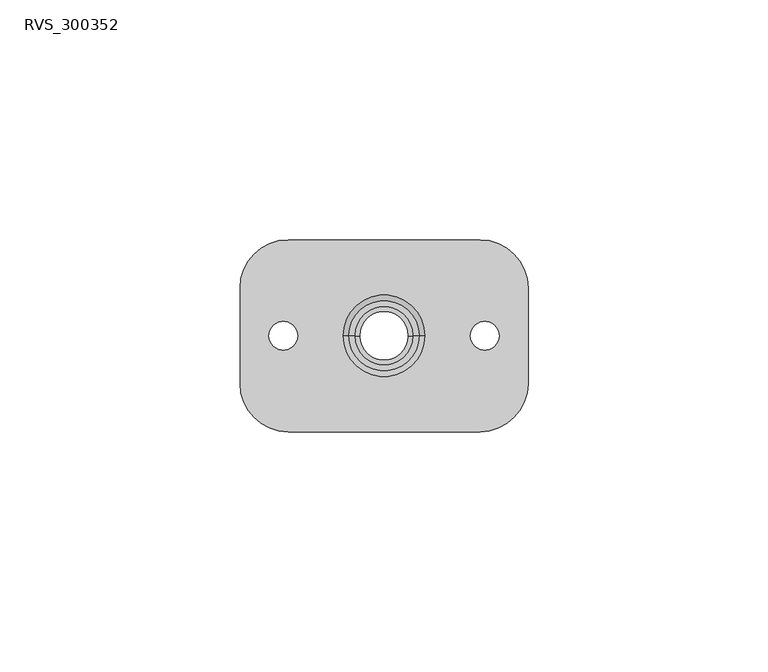
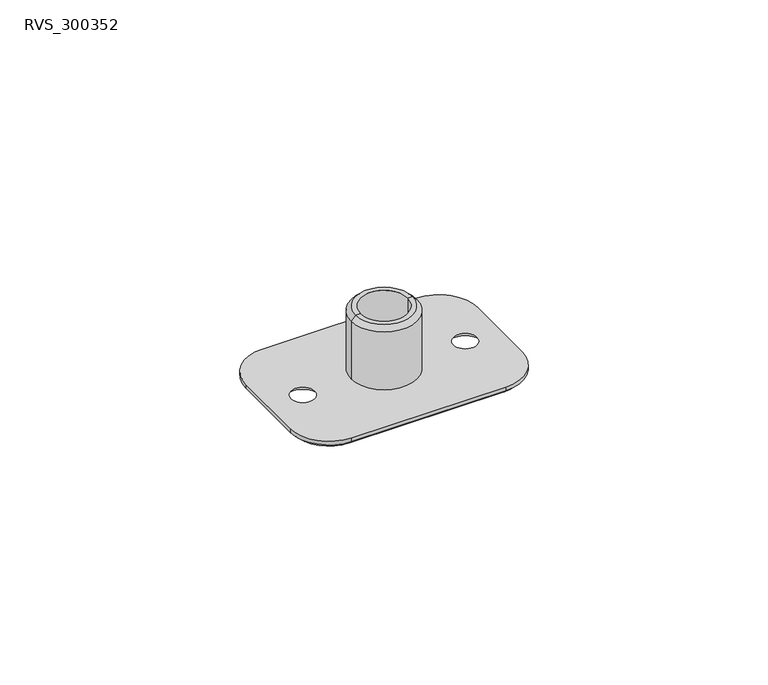
"""IFC4 building model written with IfcOpenShell, lengths in millimetres: proxy geometry, RVS_300352."""

import ifcopenshell
import ifcopenshell.guid

model = None  # the IFC model being written
_history = None  # IfcOwnerHistory: only IFC2X3 demands one
_inside = {}  # id of a spatial element -> (the spatial element, [elements in it])
_under = {}  # id of a project, library or spatial element -> (it, [spatial elements below it])
_declared = {}  # id of a project -> (the project, [libraries it declares])
_typed = {}  # id of a type object -> (the type object, [elements of that type])
_made_of = {}  # id of a material, layer set ... -> (it, [elements and type objects made of it])


def new_model(schema):
    """Start an empty IFC model of exactly this schema.

    Asked for "IFC4X3", IfcOpenShell would pick the latest addendum, in which some entities
    have other attributes; the version numbers below select the first issue.
    IFC2X3 requires an IfcOwnerHistory on every rooted entity: one is made here for all.
    """
    global model, _history
    if schema == "IFC4X3":
        model = ifcopenshell.file(schema_version=(4, 3, 0, 0))
    else:
        model = ifcopenshell.file(schema=schema)
    _inside.clear()
    _under.clear()
    _declared.clear()
    _typed.clear()
    _made_of.clear()
    _history = None
    if model.schema == "IFC2X3":
        org = make("IfcOrganization", Name="unknown")
        user = make(
            "IfcPersonAndOrganization",
            ThePerson=make("IfcPerson", FamilyName="unknown"),
            TheOrganization=org,
        )
        app = make(
            "IfcApplication",
            ApplicationDeveloper=org,
            Version="unknown",
            ApplicationFullName="unknown",
            ApplicationIdentifier="unknown",
        )
        _history = make(
            "IfcOwnerHistory",
            OwningUser=user,
            OwningApplication=app,
            ChangeAction="ADDED",
            CreationDate=0,
        )
    return model


def make(cls, **values):
    """One entity of the class cls with the attributes given. An attribute that is None is left unset."""
    return model.create_entity(
        cls, **{name: value for name, value in values.items() if value is not None}
    )


def rooted(cls, **values):
    """An entity with a GlobalId (a new one), such as an element, a storey or a relation."""
    return make(cls, GlobalId=ifcopenshell.guid.new(), OwnerHistory=_history, **values)


def si_unit(unit_type, name, prefix=None):
    """IfcSIUnit, for example si_unit("LENGTHUNIT", "METRE", prefix="MILLI")."""
    return make("IfcSIUnit", UnitType=unit_type, Prefix=prefix, Name=name)


def assignment(units):
    """IfcUnitAssignment: the units of a project."""
    return None if units is None else make("IfcUnitAssignment", Units=units)


def point(xyz):
    """IfcCartesianPoint."""
    return None if xyz is None else make("IfcCartesianPoint", Coordinates=xyz)


def direction(xyz):
    """IfcDirection."""
    return None if xyz is None else make("IfcDirection", DirectionRatios=xyz)


def frame(location, z_axis=None, x_axis=None):
    """IfcAxis2Placement3D, a coordinate frame: its origin and axes. An axis left out is left unset."""
    return make(
        "IfcAxis2Placement3D",
        Location=point(location),
        Axis=direction(z_axis),
        RefDirection=direction(x_axis),
    )


def origin():
    """The frame at (0, 0, 0) with its axes left unset."""
    return frame((0.0, 0.0, 0.0))


def place(relative_to, where):
    """IfcLocalPlacement: puts the frame where relative to a parent placement (None: the world)."""
    return make(
        "IfcLocalPlacement", PlacementRelTo=relative_to, RelativePlacement=where
    )


def context(
    kind, dimensions, precision=None, world=None, true_north=None, identifier=None
):
    """IfcGeometricRepresentationContext, for example the 3D "Model" context."""
    return make(
        "IfcGeometricRepresentationContext",
        ContextIdentifier=identifier,
        ContextType=kind,
        CoordinateSpaceDimension=dimensions,
        Precision=precision,
        WorldCoordinateSystem=world,
        TrueNorth=true_north,
    )


def project(units=None, contexts=None):
    """IfcProject with its units and contexts."""
    return rooted(
        "IfcProject",
        Name="project",
        RepresentationContexts=contexts,
        UnitsInContext=assignment(units),
    )


def spatial(cls, under=None, at=None, **own):
    """A site, building, storey or space (cls), placed at a placement, below another one or the project."""
    s = rooted(cls, ObjectPlacement=at, **own)
    if under is not None:
        _under.setdefault(under.id(), (under, []))[1].append(s)
    return s


def polyline(points):
    """IfcPolyline through the points."""
    return make("IfcPolyline", Points=[point(p) for p in points])


def circle_curve(where, radius):
    """IfcCircle in the frame where."""
    return make("IfcCircle", Position=where, Radius=radius)


def shape(context_of_items, identifier, shape_type, items):
    """IfcShapeRepresentation: the items that make up one representation, for example the "Body"."""
    return make(
        "IfcShapeRepresentation",
        ContextOfItems=context_of_items,
        RepresentationIdentifier=identifier,
        RepresentationType=shape_type,
        Items=items,
    )


def source(mapping_origin, context_of_items, identifier, shape_type, items):
    """IfcRepresentationMap: a shape defined once, which mapped items show again and again."""
    return make(
        "IfcRepresentationMap",
        MappingOrigin=mapping_origin,
        MappedRepresentation=shape(context_of_items, identifier, shape_type, items),
    )


def transform(
    local_origin,
    x_axis=None,
    y_axis=None,
    z_axis=None,
    scale=None,
    scale2=None,
    scale3=None,
    uniform=True,
):
    """IfcCartesianTransformationOperator3D, or its non-uniform kind. x_axis, y_axis, z_axis: its Axis1, 2, 3."""
    if uniform:
        return make(
            "IfcCartesianTransformationOperator3D",
            Axis1=direction(x_axis),
            Axis2=direction(y_axis),
            LocalOrigin=point(local_origin),
            Scale=scale,
            Axis3=direction(z_axis),
        )
    return make(
        "IfcCartesianTransformationOperator3DnonUniform",
        Axis1=direction(x_axis),
        Axis2=direction(y_axis),
        LocalOrigin=point(local_origin),
        Scale=scale,
        Axis3=direction(z_axis),
        Scale2=scale2,
        Scale3=scale3,
    )


def mapped(mapping_source, mapping_target):
    """IfcMappedItem: shows the shape of a source again, moved by a transform."""
    return make(
        "IfcMappedItem", MappingSource=mapping_source, MappingTarget=mapping_target
    )


def made_of(thing, what):
    """Note that an element or type object is made of a material, layer set ...; save() writes the relation."""
    if what is not None:
        _made_of.setdefault(what.id(), (what, []))[1].append(thing)
    return thing


def element(
    cls,
    number,
    at=None,
    inside=None,
    cuts=None,
    type_object=None,
    material=None,
    context=None,
    identifier="Body",
    shape_type=None,
    held_by="IfcProductDefinitionShape",
    body=None,
    shapes=None,
    **own,
):
    """One element of the class cls, such as IfcWall. Its Tag is "e" and its number.

    at: its placement. inside: the storey or other place that contains it. cuts: it is an
    opening in that element (IfcRelVoidsElement). A single representation is given by context,
    identifier, shape_type and body (its items); several are given by shapes. held_by: the class
    of the entity that holds the representations. save() writes the other relations.
    """
    e = rooted(cls, Tag="e%d" % number, ObjectPlacement=at, **own)
    if body is not None:
        shapes = [shape(context, identifier, shape_type, body)]
    if shapes is not None:
        e.Representation = make(held_by, Representations=shapes)
    if inside is not None:
        _inside.setdefault(inside.id(), (inside, []))[1].append(e)
    if cuts is not None:
        rooted(
            "IfcRelVoidsElement", RelatingBuildingElement=cuts, RelatedOpeningElement=e
        )
    if type_object is not None:
        _typed.setdefault(type_object.id(), (type_object, []))[1].append(e)
    return made_of(e, material)


def aggregate(whole, parts):
    """IfcRelAggregates: a whole, such as a stair, and the parts it consists of."""
    return rooted("IfcRelAggregates", RelatingObject=whole, RelatedObjects=parts)


def save(model, path):
    """Write the relations noted so far, then the file.

    IfcRelAggregates (storeys below a building ...), IfcRelContainedInSpatialStructure (elements
    in a storey), IfcRelDefinesByType, IfcRelAssociatesMaterial and IfcRelDeclares: one each for
    every whole, place, type object, material and project.
    """
    for whole, parts in _under.values():
        aggregate(whole, parts)
    for where, things in _inside.values():
        rooted(
            "IfcRelContainedInSpatialStructure",
            RelatedElements=things,
            RelatingStructure=where,
        )
    for kind, things in _typed.values():
        rooted("IfcRelDefinesByType", RelatedObjects=things, RelatingType=kind)
    for what, things in _made_of.values():
        rooted("IfcRelAssociatesMaterial", RelatedObjects=things, RelatingMaterial=what)
    for by, libraries in _declared.values():
        rooted("IfcRelDeclares", RelatingContext=by, RelatedDefinitions=libraries)
    model.write(path)


def plane_surface(at):
    """IfcPlane: the flat surface through the origin of the frame at, square to its z axis."""
    return make("IfcPlane", Position=at)


def cylinder_surface(at, radius):
    """IfcCylindricalSurface: all points at the distance radius from the z axis of the frame at."""
    return make("IfcCylindricalSurface", Position=at, Radius=radius)


def revolved_surface(curve, axis_point, axis_direction):
    """IfcSurfaceOfRevolution: the curve turned about the line through axis_point along axis_direction."""
    return make(
        "IfcSurfaceOfRevolution",
        SweptCurve=make("IfcArbitraryOpenProfileDef", ProfileType="CURVE", Curve=curve),
        AxisPosition=make("IfcAxis1Placement", Location=point(axis_point), Axis=direction(axis_direction)),
    )


def advanced_brep(points, edges, surfaces, faces):
    """IfcAdvancedBrep: a solid bounded by faces that lie on surfaces and meet in shared edges.

    An edge is (start, end): straight between two places in points (the first is 0);
    or (start, end, curve); or (start, end, curve, False) where it runs against its curve.
    A face is (place in surfaces, loops), or (place, loops, False) where it looks against
    its surface's normal. A loop lists edges by number (the first is 1), with a minus sign
    where the edge is run from its end to its start. The first loop is the outer one.
    """
    corners = [point(p) for p in points]
    vertices = [make("IfcVertexPoint", VertexGeometry=c) for c in corners]
    made = []
    for start, end, *more in edges:
        made.append(
            make(
                "IfcEdgeCurve",
                EdgeStart=vertices[start],
                EdgeEnd=vertices[end],
                EdgeGeometry=more[0] if more else make("IfcPolyline", Points=[corners[start], corners[end]]),
                SameSense=more[1] if len(more) > 1 else True,
            )
        )
    hull = []
    for where, loops, *sense in faces:
        bounds = []
        for j, loop in enumerate(loops):
            ring = [make("IfcOrientedEdge", EdgeElement=made[abs(k) - 1], Orientation=k > 0) for k in loop]
            bounds.append(
                make(
                    "IfcFaceOuterBound" if j == 0 else "IfcFaceBound",
                    Bound=make("IfcEdgeLoop", EdgeList=ring),
                    Orientation=True,
                )
            )
        hull.append(make("IfcAdvancedFace", Bounds=bounds, FaceSurface=surfaces[where], SameSense=sense[0] if sense else True))
    return make("IfcAdvancedBrep", Outer=make("IfcClosedShell", CfsFaces=hull))


def rvs_300352_d1846b56(model_context):
    return source(origin(), model_context, "Body", "AdvancedBrep", [
        advanced_brep(
        [(6.1, 0.0, -2.0), (-6.1, 0.0, -2.0), (-6.1, 0.0, 4.0), (6.1, 0.0, 4.0), (7.1, 0.0, -2.0), (-7.1, 0.0, -2.0), (7.1, 0.0, -3.0), (-7.1, 0.0, -3.0), (5.1, 0.0, -3.0), (-5.1, 0.0, -3.0), (5.1, 0.0, 4.0), (-5.1, 0.0, 4.0)],
        [
            (0, 1, circle_curve(frame((0.0, 0.0, -2.0), z_axis=(0.0, 0.0, 1.0), x_axis=(-1.0, 0.0, 0.0)), 6.1)),
            (1, 2),
            (2, 3, circle_curve(frame((0.0, 0.0, 4.0), z_axis=(0.0, 0.0, -1.0), x_axis=(-1.0, 0.0, 0.0)), 6.1)),
            (3, 0),
            (1, 0, circle_curve(frame((0.0, 0.0, -2.0), z_axis=(0.0, 0.0, 1.0), x_axis=(-1.0, 0.0, 0.0)), 6.1)),
            (3, 2, circle_curve(frame((0.0, 0.0, 4.0), z_axis=(0.0, 0.0, -1.0), x_axis=(-1.0, 0.0, 0.0)), 6.1)),
            (4, 5, circle_curve(frame((0.0, 0.0, -2.0), z_axis=(0.0, 0.0, 1.0), x_axis=(-1.0, 0.0, 0.0)), 7.1)),
            (5, 1),
            (0, 4),
            (5, 4, circle_curve(frame((0.0, 0.0, -2.0), z_axis=(0.0, 0.0, 1.0), x_axis=(-1.0, 0.0, 0.0)), 7.1)),
            (6, 7, circle_curve(frame((0.0, 0.0, -3.0), z_axis=(0.0, 0.0, 1.0), x_axis=(-1.0, 0.0, 0.0)), 7.1)),
            (7, 5),
            (4, 6),
            (7, 6, circle_curve(frame((0.0, 0.0, -3.0), z_axis=(0.0, 0.0, 1.0), x_axis=(-1.0, 0.0, 0.0)), 7.1)),
            (8, 9, circle_curve(frame((0.0, 0.0, -3.0), z_axis=(0.0, 0.0, 1.0), x_axis=(-1.0, 0.0, 0.0)), 5.1)),
            (9, 7),
            (6, 8),
            (9, 8, circle_curve(frame((0.0, 0.0, -3.0), z_axis=(0.0, 0.0, 1.0), x_axis=(-1.0, 0.0, 0.0)), 5.1)),
            (10, 11, circle_curve(frame((0.0, 0.0, 4.0), z_axis=(0.0, 0.0, 1.0), x_axis=(-1.0, 0.0, 0.0)), 5.1)),
            (11, 9),
            (8, 10),
            (11, 10, circle_curve(frame((0.0, 0.0, 4.0), z_axis=(0.0, 0.0, 1.0), x_axis=(-1.0, 0.0, 0.0)), 5.1)),
            (2, 11),
            (10, 3),
        ],
        [
            cylinder_surface(frame((0.0, 0.0, 4.5433419), z_axis=(0.0, 0.0, -1.0), x_axis=(-1.0, 0.0, 0.0)), 6.1),
            plane_surface(frame((0.0, 0.0, -2.0), z_axis=(0.0, 0.0, 1.0), x_axis=(-1.0, 0.0, 0.0))),
            cylinder_surface(frame((0.0, 0.0, 4.5433419), z_axis=(0.0, 0.0, -1.0), x_axis=(-1.0, 0.0, 0.0)), 7.1),
            plane_surface(frame((0.0, 0.0, -3.0), z_axis=(0.0, 0.0, -1.0), x_axis=(-1.0, 0.0, 0.0))),
            revolved_surface(polyline([(-5.1, 0.0, -3.0), (-5.1, 0.0, 4.0)]), (0.0, 0.0, 4.5433419), (0.0, 0.0, -1.0)),
            plane_surface(frame((0.0, 0.0, 4.0), z_axis=(0.0, 0.0, 1.0), x_axis=(-1.0, 0.0, 0.0))),
        ],
        [
            (0, [[1, 2, 3, 4]]),
            (0, [[5, -4, 6, -2]]),
            (1, [[7, 8, -1, 9]]),
            (1, [[10, -9, -5, -8]]),
            (2, [[11, 12, -7, 13]]),
            (2, [[14, -13, -10, -12]]),
            (3, [[15, 16, -11, 17]]),
            (3, [[18, -17, -14, -16]]),
            (4, [[19, 20, -15, 21]]),
            (4, [[22, -21, -18, -20]]),
            (5, [[-3, 23, -19, 24]]),
            (5, [[-6, -24, -22, -23]]),
        ],
    ),
        advanced_brep(
        [(7.3, 0.0, 17.0), (-7.3, 0.0, 17.0), (-6.1, 0.0, 17.0), (6.1, 0.0, 17.0), (8.5, 0.0, 15.8), (-8.5, 0.0, 15.8), (8.5, 0.0, 0.0), (-8.5, 0.0, 0.0), (6.1, 0.0, 0.0), (-6.1, 0.0, 0.0)],
        [
            (0, 1, circle_curve(frame((0.0, 0.0, 17.0), z_axis=(0.0, 0.0, 1.0), x_axis=(-1.0, 0.0, 0.0)), 7.3)),
            (1, 2),
            (2, 3, circle_curve(frame((0.0, 0.0, 17.0), z_axis=(0.0, 0.0, -1.0), x_axis=(-1.0, 0.0, 0.0)), 6.1)),
            (3, 0),
            (1, 0, circle_curve(frame((0.0, 0.0, 17.0), z_axis=(0.0, 0.0, 1.0), x_axis=(-1.0, 0.0, 0.0)), 7.3)),
            (3, 2, circle_curve(frame((0.0, 0.0, 17.0), z_axis=(0.0, 0.0, -1.0), x_axis=(-1.0, 0.0, 0.0)), 6.1)),
            (4, 5, circle_curve(frame((0.0, 0.0, 15.8), z_axis=(0.0, 0.0, 1.0), x_axis=(-1.0, 0.0, 0.0)), 8.5)),
            (5, 1),
            (0, 4),
            (5, 4, circle_curve(frame((0.0, 0.0, 15.8), z_axis=(0.0, 0.0, 1.0), x_axis=(-1.0, 0.0, 0.0)), 8.5)),
            (6, 7, circle_curve(frame((0.0, 0.0, 0.0), z_axis=(0.0, 0.0, 1.0), x_axis=(-1.0, 0.0, 0.0)), 8.5)),
            (7, 5),
            (4, 6),
            (7, 6, circle_curve(frame((0.0, 0.0, 0.0), z_axis=(0.0, 0.0, 1.0), x_axis=(-1.0, 0.0, 0.0)), 8.5)),
            (8, 9, circle_curve(frame((0.0, 0.0, 0.0), z_axis=(0.0, 0.0, 1.0), x_axis=(-1.0, 0.0, 0.0)), 6.1)),
            (9, 7),
            (6, 8),
            (9, 8, circle_curve(frame((0.0, 0.0, 0.0), z_axis=(0.0, 0.0, 1.0), x_axis=(-1.0, 0.0, 0.0)), 6.1)),
            (2, 9),
            (8, 3),
        ],
        [
            plane_surface(frame((0.0, 0.0, 17.0), z_axis=(0.0, 0.0, 1.0), x_axis=(-1.0, 0.0, 0.0))),
            revolved_surface(polyline([(-7.3, 0.0, 17.0), (-8.5, 0.0, 15.8)]), (0.0, 0.0, 18.1598968), (0.0, 0.0, -1.0)),
            cylinder_surface(frame((0.0, 0.0, 18.1598968), z_axis=(0.0, 0.0, -1.0), x_axis=(-1.0, 0.0, 0.0)), 8.5),
            plane_surface(frame((0.0, 0.0, 0.0), z_axis=(0.0, 0.0, -1.0), x_axis=(-1.0, 0.0, 0.0))),
            revolved_surface(polyline([(-6.1, 0.0, 0.0), (-6.1, 0.0, 17.0)]), (0.0, 0.0, 18.1598968), (0.0, 0.0, -1.0)),
        ],
        [
            (0, [[1, 2, 3, 4]]),
            (0, [[5, -4, 6, -2]]),
            (1, [[7, 8, -1, 9]]),
            (1, [[10, -9, -5, -8]]),
            (2, [[11, 12, -7, 13]]),
            (2, [[14, -13, -10, -12]]),
            (3, [[15, 16, -11, 17]]),
            (3, [[18, -17, -14, -16]]),
            (4, [[-3, 19, -15, 20]]),
            (4, [[-6, -20, -18, -19]]),
        ],
    ),
        advanced_brep(
        [(20.0, -20.0, 0.0), (30.0, -10.0, 0.0), (30.0, 10.0, 0.0), (20.0, 20.0, 0.0), (-20.0, 20.0, 0.0), (-30.0, 10.0, 0.0), (-30.0, -10.0, 0.0), (-20.0, -20.0, 0.0), (6.1, 0.0, 0.0), (-6.1, 0.0, 0.0), (-24.0, 0.0, 0.0), (-18.0, 0.0, 0.0), (18.0, 0.0, 0.0), (24.0, 0.0, 0.0), (-29.0, 10.0, -2.0), (-20.0, 19.0, -2.0), (20.0, 19.0, -2.0), (29.0, 10.0, -2.0), (29.0, -10.0, -2.0), (20.0, -19.0, -2.0), (-20.0, -19.0, -2.0), (-29.0, -10.0, -2.0), (-6.1, 0.0, -2.0), (6.1, 0.0, -2.0), (-16.0, 0.0, -2.0), (-26.0, 0.0, -2.0), (26.0, 0.0, -2.0), (16.0, 0.0, -2.0), (20.0, -20.0, -1.0), (30.0, -10.0, -1.0), (30.0, 10.0, -1.0), (20.0, 20.0, -1.0), (-20.0, 20.0, -1.0), (-30.0, 10.0, -1.0), (-30.0, -10.0, -1.0), (-20.0, -20.0, -1.0)],
        [
            (0, 1, circle_curve(frame((20.0, -10.0, 0.0), z_axis=(0.0, 0.0, 1.0), x_axis=(1.0, 0.0, 0.0)), 10.0)),
            (1, 2),
            (2, 3, circle_curve(frame((20.0, 10.0, 0.0), z_axis=(0.0, 0.0, 1.0), x_axis=(1.0, 0.0, 0.0)), 10.0)),
            (3, 4),
            (4, 5, circle_curve(frame((-20.0, 10.0, 0.0), z_axis=(0.0, 0.0, 1.0), x_axis=(1.0, 0.0, 0.0)), 10.0)),
            (5, 6),
            (6, 7, circle_curve(frame((-20.0, -10.0, 0.0), z_axis=(0.0, 0.0, 1.0), x_axis=(1.0, 0.0, 0.0)), 10.0)),
            (7, 0),
            (8, 9, circle_curve(frame((0.0, 0.0, 0.0), z_axis=(0.0, 0.0, -1.0), x_axis=(1.0, 0.0, 0.0)), 6.1)),
            (9, 8, circle_curve(frame((0.0, 0.0, 0.0), z_axis=(0.0, 0.0, -1.0), x_axis=(1.0, 0.0, 0.0)), 6.1)),
            (10, 11, circle_curve(frame((-21.0, 0.0, 0.0), z_axis=(0.0, 0.0, -1.0), x_axis=(-1.0, 0.0, 0.0)), 3.0)),
            (11, 10, circle_curve(frame((-21.0, 0.0, 0.0), z_axis=(0.0, 0.0, -1.0), x_axis=(-1.0, 0.0, 0.0)), 3.0)),
            (12, 13, circle_curve(frame((21.0, 0.0, 0.0), z_axis=(0.0, 0.0, -1.0), x_axis=(1.0, 0.0, 0.0)), 3.0)),
            (13, 12, circle_curve(frame((21.0, 0.0, 0.0), z_axis=(0.0, 0.0, -1.0), x_axis=(1.0, 0.0, 0.0)), 3.0)),
            (14, 15, circle_curve(frame((-20.0, 10.0, -2.0), z_axis=(0.0, 0.0, -1.0), x_axis=(-1.0, 0.0, 0.0)), 9.0)),
            (15, 16),
            (16, 17, circle_curve(frame((20.0, 10.0, -2.0), z_axis=(0.0, 0.0, -1.0), x_axis=(0.0, 1.0, 0.0)), 9.0)),
            (17, 18),
            (18, 19, circle_curve(frame((20.0, -10.0, -2.0), z_axis=(0.0, 0.0, -1.0), x_axis=(1.0, 0.0, 0.0)), 9.0)),
            (19, 20),
            (20, 21, circle_curve(frame((-20.0, -10.0, -2.0), z_axis=(0.0, 0.0, -1.0), x_axis=(0.0, -1.0, 0.0)), 9.0)),
            (21, 14),
            (22, 23, circle_curve(frame((0.0, 0.0, -2.0), z_axis=(0.0, 0.0, 1.0), x_axis=(1.0, 0.0, 0.0)), 6.1)),
            (23, 22, circle_curve(frame((0.0, 0.0, -2.0), z_axis=(0.0, 0.0, 1.0), x_axis=(1.0, 0.0, 0.0)), 6.1)),
            (24, 25, circle_curve(frame((-21.0, 0.0, -2.0), z_axis=(0.0, 0.0, 1.0), x_axis=(-1.0, 0.0, 0.0)), 5.0)),
            (25, 24, circle_curve(frame((-21.0, 0.0, -2.0), z_axis=(0.0, 0.0, 1.0), x_axis=(-1.0, 0.0, 0.0)), 5.0)),
            (26, 27, circle_curve(frame((21.0, 0.0, -2.0), z_axis=(0.0, 0.0, 1.0), x_axis=(1.0, 0.0, 0.0)), 5.0)),
            (27, 26, circle_curve(frame((21.0, 0.0, -2.0), z_axis=(0.0, 0.0, 1.0), x_axis=(1.0, 0.0, 0.0)), 5.0)),
            (0, 28),
            (28, 29, circle_curve(frame((20.0, -10.0, -1.0), z_axis=(0.0, 0.0, 1.0), x_axis=(1.0, 0.0, 0.0)), 10.0)),
            (29, 1),
            (29, 30),
            (30, 2),
            (30, 31, circle_curve(frame((20.0, 10.0, -1.0), z_axis=(0.0, 0.0, 1.0), x_axis=(1.0, 0.0, 0.0)), 10.0)),
            (31, 3),
            (31, 32),
            (32, 4),
            (32, 33, circle_curve(frame((-20.0, 10.0, -1.0), z_axis=(0.0, 0.0, 1.0), x_axis=(1.0, 0.0, 0.0)), 10.0)),
            (33, 5),
            (33, 34),
            (34, 6),
            (34, 35, circle_curve(frame((-20.0, -10.0, -1.0), z_axis=(0.0, 0.0, 1.0), x_axis=(1.0, 0.0, 0.0)), 10.0)),
            (35, 7),
            (35, 28),
            (8, 23),
            (22, 9),
            (24, 11),
            (10, 25),
            (12, 27),
            (26, 13),
            (32, 15),
            (14, 33),
            (31, 16),
            (30, 17),
            (29, 18),
            (28, 19),
            (35, 20),
            (34, 21),
        ],
        [
            plane_surface(frame((30.0, -10.0, 0.0), z_axis=(0.0, 0.0, 1.0), x_axis=(0.0, 1.0, 0.0))),
            plane_surface(frame((30.0, -10.0, -2.0), z_axis=(0.0, 0.0, -1.0), x_axis=(0.0, -1.0, 0.0))),
            cylinder_surface(frame((20.0, -10.0, -2.0), z_axis=(0.0, 0.0, 1.0), x_axis=(1.0, 0.0, 0.0)), 10.0),
            plane_surface(frame((30.0, -10.0, 0.0), z_axis=(1.0, 0.0, 0.0), x_axis=(0.0, 0.0, -1.0))),
            cylinder_surface(frame((20.0, 10.0, -2.0), z_axis=(0.0, 0.0, 1.0), x_axis=(1.0, 0.0, 0.0)), 10.0),
            plane_surface(frame((20.0, 20.0, 0.0), z_axis=(0.0, 1.0, 0.0), x_axis=(0.0, 0.0, -1.0))),
            cylinder_surface(frame((-20.0, 10.0, -2.0), z_axis=(0.0, 0.0, 1.0), x_axis=(1.0, 0.0, 0.0)), 10.0),
            plane_surface(frame((-30.0, 10.0, 0.0), z_axis=(-1.0, 0.0, 0.0), x_axis=(0.0, 0.0, -1.0))),
            cylinder_surface(frame((-20.0, -10.0, -2.0), z_axis=(0.0, 0.0, 1.0), x_axis=(1.0, 0.0, 0.0)), 10.0),
            plane_surface(frame((-20.0, -20.0, 0.0), z_axis=(0.0, -1.0, 0.0), x_axis=(0.0, 0.0, -1.0))),
            revolved_surface(polyline([(6.1, 0.0, 0.0), (6.1, 0.0, -2.0)]), (0.0, 0.0, -2.0), (0.0, 0.0, 1.0)),
            revolved_surface(polyline([(-26.0, 0.0, -2.0), (-24.0, 0.0, 0.0)]), (-21.0, 0.0, 0.0), (0.0, 0.0, -1.0)),
            revolved_surface(polyline([(24.0, 0.0, 0.0), (26.0, 0.0, -2.0)]), (21.0, 0.0, 0.0), (0.0, 0.0, 1.0)),
            revolved_surface(polyline([(-30.0, 10.0, -1.0), (-29.0, 10.0, -2.0)]), (-20.0, 10.0, -2.0), (0.0, 0.0, -1.0)),
            plane_surface(frame((-20.0, 19.0, -2.0), z_axis=(0.0, 0.7071067811865468, -0.7071067811865483), x_axis=(1.0, 0.0, 0.0))),
            revolved_surface(polyline([(20.0, 20.0, -1.0), (20.0, 19.0, -2.0)]), (20.0, 10.0, -2.0), (0.0, 0.0, -1.0)),
            plane_surface(frame((29.0, 10.0, -2.0), z_axis=(0.7071067811865468, 0.0, -0.7071067811865483), x_axis=(0.0, -1.0, 0.0))),
            revolved_surface(polyline([(30.0, -10.0, -1.0), (29.0, -10.0, -2.0)]), (20.0, -10.0, -2.0), (0.0, 0.0, -1.0)),
            plane_surface(frame((20.0, -19.0, -2.0), z_axis=(0.0, -0.7071067811865468, -0.7071067811865483), x_axis=(-1.0, 0.0, 0.0))),
            revolved_surface(polyline([(-20.0, -20.0, -1.0), (-20.0, -19.0, -2.0)]), (-20.0, -10.0, -2.0), (0.0, 0.0, -1.0)),
            plane_surface(frame((-29.0, -10.0, -2.0), z_axis=(-0.7071067811865468, 0.0, -0.7071067811865483), x_axis=(0.0, 1.0, 0.0))),
        ],
        [
            (0, [[1, 2, 3, 4, 5, 6, 7, 8], [9, 10], [11, 12], [13, 14]]),
            (1, [[15, 16, 17, 18, 19, 20, 21, 22], [23, 24], [25, 26], [27, 28]]),
            (2, [[-1, 29, 30, 31]]),
            (3, [[-2, -31, 32, 33]]),
            (4, [[-3, -33, 34, 35]]),
            (5, [[-4, -35, 36, 37]]),
            (6, [[-5, -37, 38, 39]]),
            (7, [[-6, -39, 40, 41]]),
            (8, [[-7, -41, 42, 43]]),
            (9, [[-8, -43, 44, -29]]),
            (10, [[45, -23, 46, -9]]),
            (10, [[-45, -10, -46, -24]]),
            (11, [[47, -11, 48, -25]]),
            (11, [[-47, -26, -48, -12]]),
            (12, [[49, -27, 50, -13]]),
            (12, [[-49, -14, -50, -28]]),
            (13, [[51, -15, 52, -38]]),
            (14, [[-51, -36, 53, -16]]),
            (15, [[-53, -34, 54, -17]]),
            (16, [[-54, -32, 55, -18]]),
            (17, [[-55, -30, 56, -19]]),
            (18, [[-56, -44, 57, -20]]),
            (19, [[-57, -42, 58, -21]]),
            (20, [[-52, -22, -58, -40]]),
        ],
    ),
    ])


if __name__ == "__main__":
    model = new_model("IFC4")
    model_context = context("Model", 3, world=origin())
    ifc_project = project(units=[si_unit("LENGTHUNIT", "METRE", prefix="MILLI")], contexts=[model_context])
    site = spatial("IfcSite", under=ifc_project)
    building = spatial("IfcBuilding", under=site)
    placement = place(None, origin())
    rvs_300352_shape = rvs_300352_d1846b56(model_context)
    element("IfcBuildingElementProxy", 1, Name="RVS_300352", ObjectType="RVS_300352", at=placement, inside=building, context=model_context, shape_type="MappedRepresentation", body=[
        mapped(rvs_300352_shape, transform((0.0, 0.0, 0.0), x_axis=(1.0, 0.0, 0.0), y_axis=(0.0, 1.0, 0.0), z_axis=(0.0, 0.0, 1.0))),
    ])
    save(model, "model.ifc")
